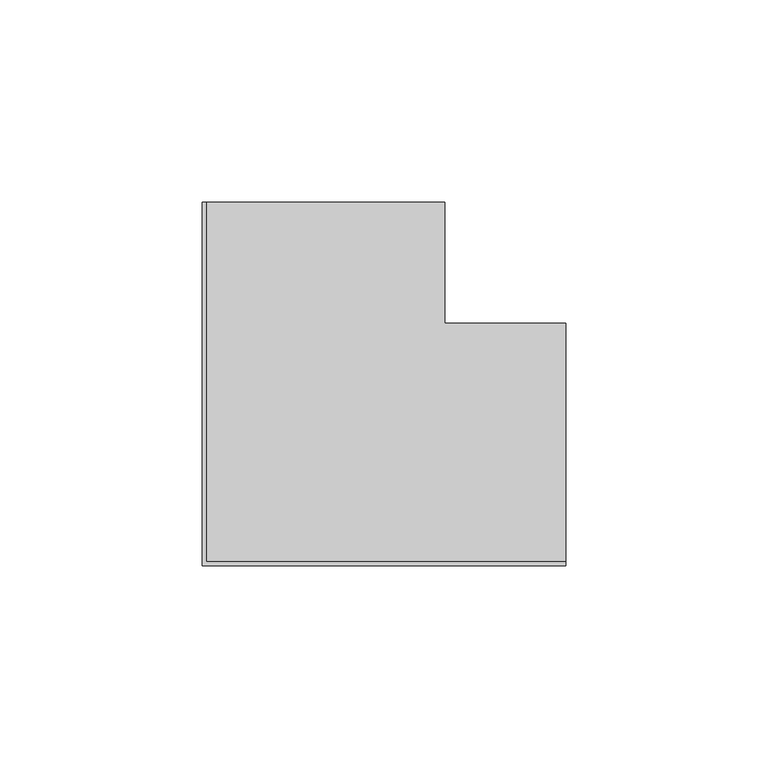
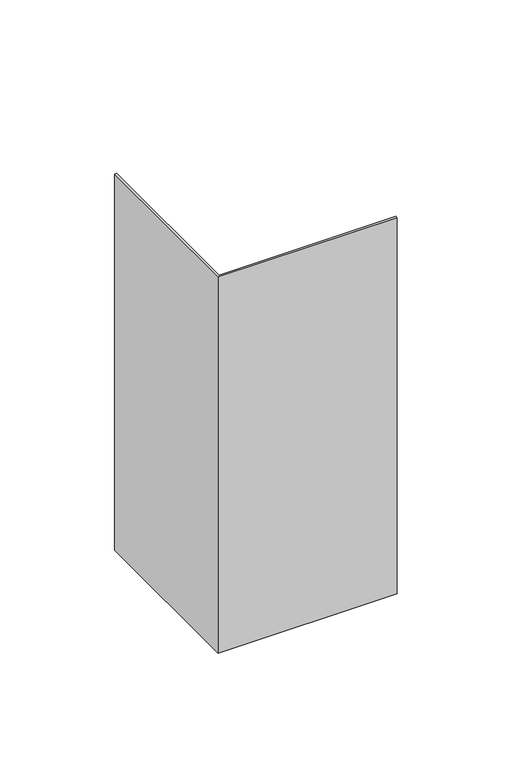
"""IFC4 building model written with IfcOpenShell, lengths in millimetres: proxy geometry."""

from ifc_helpers import new_model, si_unit, origin, place, context, project, spatial, faceted_brep, source, transform, mapped, element, save


def generic_models_077236cc(model_context):
    return source(origin(), model_context, "Body", "Brep", [
        faceted_brep([(60.0, 90.0, 0.0), (0.0, 90.0, 0.0), (0.0, 90.0, 200.0), (1.0, 90.0, 200.0), (1.0, 90.0, 1.0), (60.0, 90.0, 1.0), (60.0, 60.0, 1.0), (60.0, 60.0, 0.0), (1.0, 1.0, 1.0), (90.0, 1.0, 1.0), (90.0, 60.0, 1.0), (1.0, 1.0, 200.0), (0.0, 0.0, 200.0), (90.0, 0.0, 200.0), (90.0, 1.0, 200.0), (0.0, 0.0, 0.0), (90.0, 60.0, 0.0), (90.0, 0.0, 0.0)], [[[0, 1, 2, 3, 4, 5]], [[5, 6, 7, 0]], [[4, 8, 9, 10, 6, 5]], [[3, 11, 8, 4]], [[2, 12, 13, 14, 11, 3]], [[1, 15, 12, 2]], [[0, 7, 16, 17, 15, 1]], [[16, 10, 9, 14, 13, 17]], [[6, 10, 16, 7]], [[11, 14, 9, 8]], [[15, 17, 13, 12]]]),
    ])


if __name__ == "__main__":
    model = new_model("IFC4")
    model_context = context("Model", 3, world=origin())
    ifc_project = project(units=[si_unit("LENGTHUNIT", "METRE", prefix="MILLI")], contexts=[model_context])
    site = spatial("IfcSite", under=ifc_project)
    building = spatial("IfcBuilding", under=site)
    placement = place(None, origin())
    generic_models_shape = generic_models_077236cc(model_context)
    element("IfcBuildingElementProxy", 1, Name="Generic Models", at=placement, inside=building, context=model_context, shape_type="MappedRepresentation", body=[
        mapped(generic_models_shape, transform((0.0, 0.0, 0.0), x_axis=(1.0, 0.0, 0.0), y_axis=(0.0, 1.0, 0.0), z_axis=(0.0, 0.0, 1.0))),
    ])
    save(model, "model.ifc")
